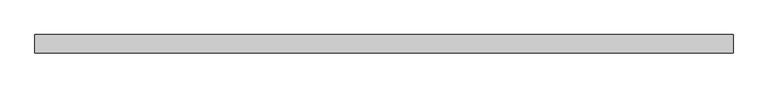
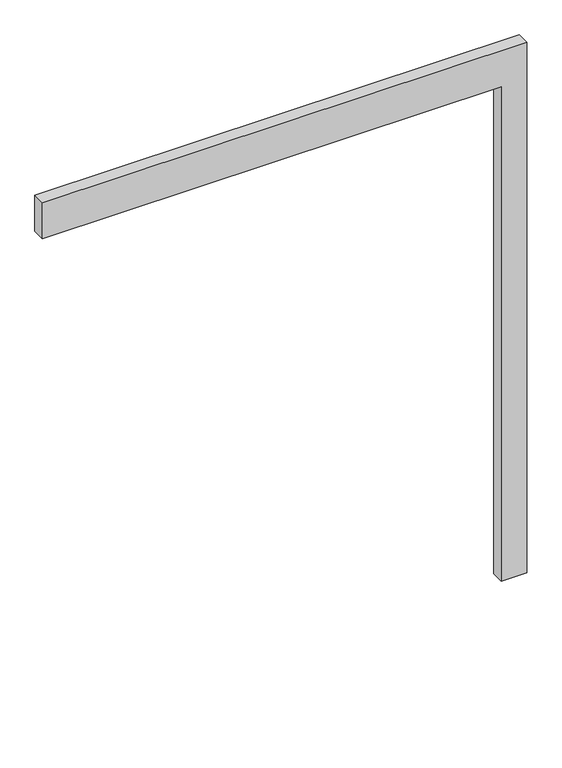
"""IFC4 building model written with IfcOpenShell, lengths in millimetres: proxy geometry."""

from ifc_helpers import new_model, si_unit, frame, origin, place, context, project, spatial, polyline, outline, extrude, source, transform, mapped, element, save


def generic_models_e1fbdf22(model_context):
    return source(origin(), model_context, "Body", "SweptSolid", [
        extrude(outline(polyline([(2050.0, -1800.0), (2050.0, 0.0), (0.0, 0.0), (0.0, 100.0), (2200.0, 100.0), (2200.0, -1800.0), (2050.0, -1800.0)])), frame((0.0, -50.0, 0.0), z_axis=(0.0, 1.0, 0.0), x_axis=(0.0, 0.0, 1.0)), (0.0, 0.0, 1.0), 50.0),
    ])


if __name__ == "__main__":
    model = new_model("IFC4")
    model_context = context("Model", 3, world=origin())
    ifc_project = project(units=[si_unit("LENGTHUNIT", "METRE", prefix="MILLI")], contexts=[model_context])
    site = spatial("IfcSite", under=ifc_project)
    building = spatial("IfcBuilding", under=site)
    placement = place(None, origin())
    generic_models_shape = generic_models_e1fbdf22(model_context)
    element("IfcBuildingElementProxy", 1, Name="Generic Models", at=placement, inside=building, context=model_context, shape_type="MappedRepresentation", body=[
        mapped(generic_models_shape, transform((0.0, 0.0, 0.0), x_axis=(1.0, 0.0, 0.0), y_axis=(0.0, 1.0, 0.0), z_axis=(0.0, 0.0, 1.0))),
    ])
    save(model, "model.ifc")
